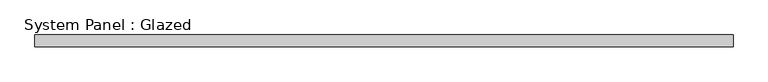
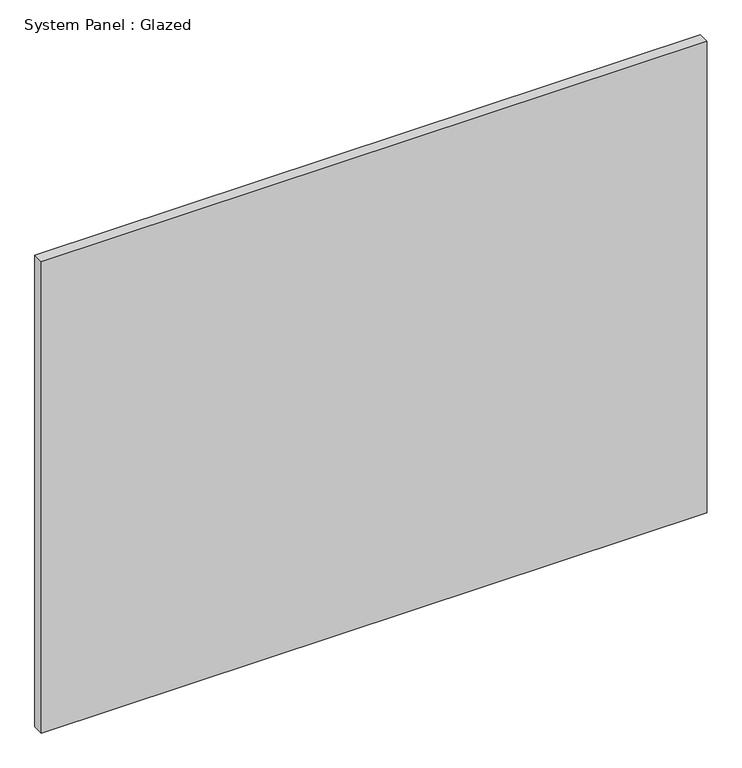
"""IFC4 building model written with IfcOpenShell, lengths in millimetres: plate geometry, System Panel : Glazed."""

from ifc_helpers import new_model, si_unit, origin, origin_with_axes, place, context, project, spatial, polyline, outline, extrude, source, transform, mapped, element, save


def system_panel_glazed_8f2ccc82(model_context):
    return source(origin(), model_context, "Body", "SweptSolid", [
        extrude(outline(polyline([(731.7501169, 24.5), (-731.7501169, 24.5), (-731.7501169, 49.5), (731.7501169, 49.5), (731.7501169, 24.5)])), origin_with_axes(), (0.0, 0.0, 1.0), 1095.0),
    ])


if __name__ == "__main__":
    model = new_model("IFC4")
    model_context = context("Model", 3, world=origin())
    ifc_project = project(units=[si_unit("LENGTHUNIT", "METRE", prefix="MILLI")], contexts=[model_context])
    site = spatial("IfcSite", under=ifc_project)
    building = spatial("IfcBuilding", under=site)
    placement = place(None, origin())
    system_panel_glazed_shape = system_panel_glazed_8f2ccc82(model_context)
    element("IfcPlate", 1, ObjectType="System Panel : Glazed", at=placement, inside=building, context=model_context, shape_type="MappedRepresentation", body=[
        mapped(system_panel_glazed_shape, transform((0.0, 0.0, 0.0), x_axis=(1.0, 0.0, 0.0), y_axis=(0.0, 1.0, 0.0), z_axis=(0.0, 0.0, 1.0))),
    ])
    save(model, "model.ifc")
